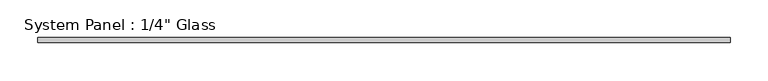
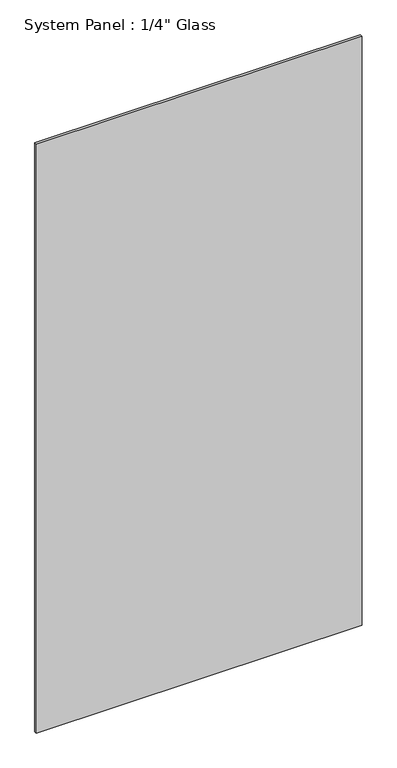
"""IFC4 building model written with IfcOpenShell, lengths in millimetres: plate geometry."""

from ifc_helpers import new_model, si_unit, origin, origin_with_axes, place, context, project, spatial, polyline, outline, extrude, source, transform, mapped, element, save


def plate_1e90fb40(model_context):
    return source(origin(), model_context, "Body", "SweptSolid", [
        extrude(outline(polyline([(455.6125, -3.175), (-455.6125, -3.175), (-455.6125, 3.175), (455.6125, 3.175), (455.6125, -3.175)])), origin_with_axes(), (0.0, 0.0, 1.0), 1739.9),
    ])


if __name__ == "__main__":
    model = new_model("IFC4")
    model_context = context("Model", 3, world=origin())
    ifc_project = project(units=[si_unit("LENGTHUNIT", "METRE", prefix="MILLI")], contexts=[model_context])
    site = spatial("IfcSite", under=ifc_project)
    building = spatial("IfcBuilding", under=site)
    placement = place(None, origin())
    plate_shape = plate_1e90fb40(model_context)
    element("IfcPlate", 1, ObjectType="System Panel : 1/4\" Glass", at=placement, inside=building, context=model_context, shape_type="MappedRepresentation", body=[
        mapped(plate_shape, transform((0.0, 0.0, 0.0), x_axis=(1.0, 0.0, 0.0), y_axis=(0.0, 1.0, 0.0), z_axis=(0.0, 0.0, 1.0))),
    ])
    save(model, "model.ifc")
